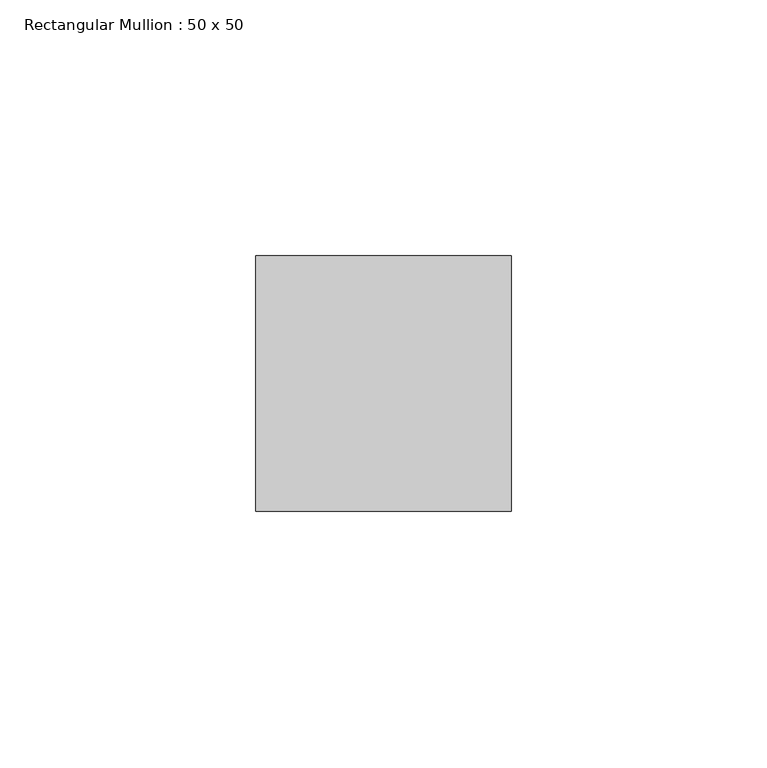
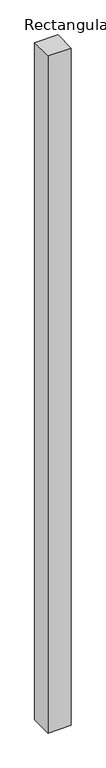
"""IFC4 building model written with IfcOpenShell, lengths in millimetres: member geometry, Rectangular Mullion : 50 x 50."""

from ifc_helpers import new_model, si_unit, frame, origin, place, context, project, spatial, polyline, outline, extrude, source, transform, mapped, element, save


def rectangular_mullion_50_x_50_c012619f(model_context):
    return source(origin(), model_context, "Body", "SweptSolid", [
        extrude(outline(polyline([(25.0, 25.0), (25.0, -25.0), (-25.0, -25.0), (-25.0, 25.0), (25.0, 25.0)])), frame((0.0, 0.0, -1548.6572435), z_axis=(0.0, 0.0, 1.0), x_axis=(1.0, 0.0, 0.0)), (0.0, 0.0, 1.0), 1548.6572435),
    ])


if __name__ == "__main__":
    model = new_model("IFC4")
    model_context = context("Model", 3, world=origin())
    ifc_project = project(units=[si_unit("LENGTHUNIT", "METRE", prefix="MILLI")], contexts=[model_context])
    site = spatial("IfcSite", under=ifc_project)
    building = spatial("IfcBuilding", under=site)
    placement = place(None, origin())
    rectangular_mullion_50_x_50_shape = rectangular_mullion_50_x_50_c012619f(model_context)
    element("IfcMember", 1, ObjectType="Rectangular Mullion : 50 x 50", at=placement, inside=building, context=model_context, shape_type="MappedRepresentation", body=[
        mapped(rectangular_mullion_50_x_50_shape, transform((0.0, 0.0, 0.0), x_axis=(1.0, 0.0, 0.0), y_axis=(0.0, 1.0, 0.0), z_axis=(0.0, 0.0, 1.0))),
    ])
    save(model, "model.ifc")
